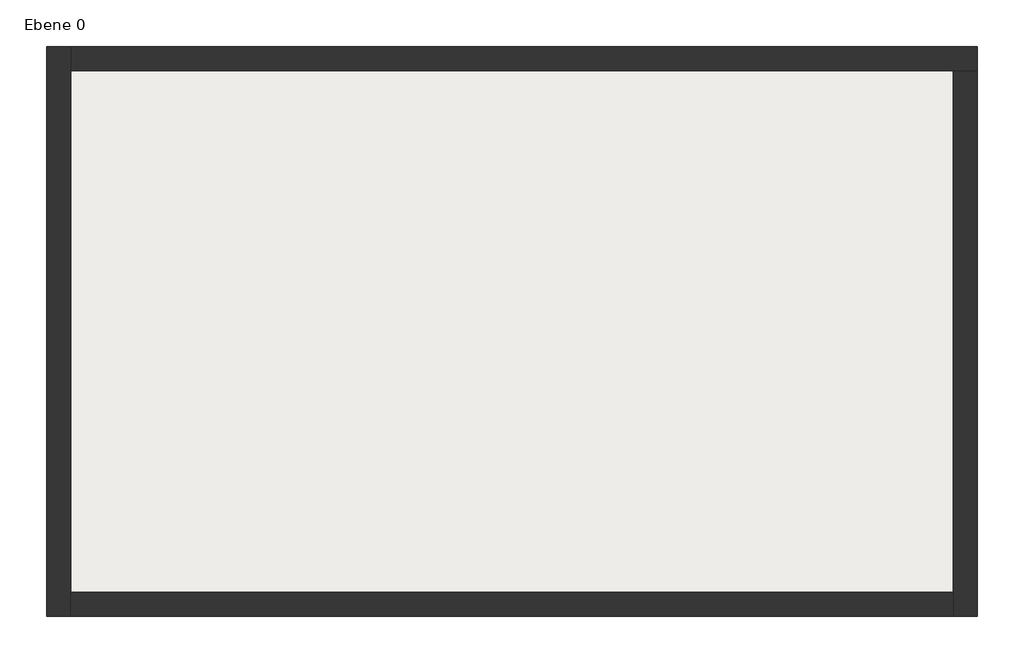
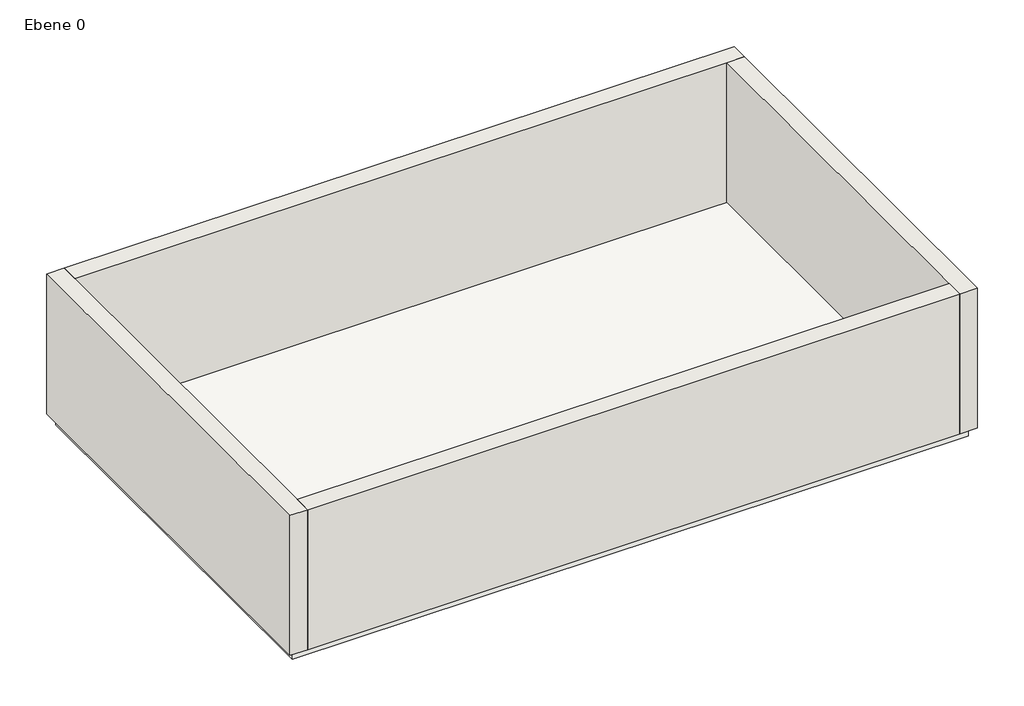
# One storey: 4 walls, 1 slab.
"""IFC4 building model written with IfcOpenShell, lengths in millimetres."""

from ifc_helpers import new_model, si_unit, frame, origin, origin_with_axes, place, context, project, spatial, polyline, outline, extrude, faceted_brep, element, save

model = new_model("IFC4")

# Units and contexts
model_context = context("Model", 3, world=origin())
ifc_project = project(units=[si_unit("LENGTHUNIT", "METRE", prefix="MILLI")], contexts=[model_context])

# Site, building, storey
site = spatial("IfcSite", under=ifc_project)
building = spatial("IfcBuilding", under=site)
storey = spatial("IfcBuildingStorey", under=building, Name="Ebene 0", Elevation=0.0)

# Slab
placement = place(None, origin())
element("IfcSlab", 1, ObjectType="STB 20.0", at=placement, inside=storey, context=model_context, shape_type="SweptSolid", body=[
    extrude(outline(polyline([(5188.8794242, 7553.5984146), (5188.8794242, -746.4015854), (-8511.1205758, -746.4015854), (-8511.1205758, 7553.5984146), (5188.8794242, 7553.5984146)])), frame((0.0, 0.0, -200.0), z_axis=(0.0, 0.0, 1.0), x_axis=(1.0, 0.0, 0.0)), (0.0, 0.0, 1.0), 200.0),
])

# Walls
element("IfcWall", 2, ObjectType="MW 24.0 WD 12.0", at=placement, inside=storey, context=model_context, shape_type="Brep", body=[
    faceted_brep([(-8271.1205758, -866.4015854, 0.0), (-8271.1205758, -506.4015854, 0.0), (-8271.1205758, 7313.5984146, 0.0), (-8271.1205758, 7673.5984146, 0.0), (-8271.1205758, 7673.5984146, 3000.0), (-8271.1205758, 7313.5984146, 3000.0), (-8271.1205758, -506.4015854, 3000.0), (-8271.1205758, -866.4015854, 3000.0), (-8631.1205758, -866.4015854, 0.0), (-8631.1205758, -866.4015854, 3000.0), (-8631.1205758, 7673.5984146, 3000.0), (-8631.1205758, 7673.5984146, 0.0)], [[[0, 1, 2, 3, 4, 5, 6, 7]], [[8, 9, 10, 11]], [[3, 2, 1, 0, 8, 11]], [[7, 6, 5, 4, 10, 9]], [[4, 3, 11, 10]], [[0, 7, 9, 8]]]),
])
element("IfcWall", 3, ObjectType="MW 24.0 WD 12.0", at=placement, inside=storey, context=model_context, shape_type="Brep", body=[
    faceted_brep([(-8271.1205758, 7313.5984146, 0.0), (4948.8794242, 7313.5984146, 0.0), (5308.8794242, 7313.5984146, 0.0), (5308.8794242, 7313.5984146, 3000.0), (4948.8794242, 7313.5984146, 3000.0), (-8271.1205758, 7313.5984146, 3000.0), (-8271.1205758, 7673.5984146, 0.0), (-8271.1205758, 7673.5984146, 3000.0), (5308.8794242, 7673.5984146, 3000.0), (5308.8794242, 7673.5984146, 0.0)], [[[0, 1, 2, 3, 4, 5]], [[6, 7, 8, 9]], [[2, 1, 0, 6, 9]], [[5, 4, 3, 8, 7]], [[0, 5, 7, 6]], [[3, 2, 9, 8]]]),
])
element("IfcWall", 4, ObjectType="MW 24.0 WD 12.0", at=placement, inside=storey, context=model_context, shape_type="Brep", body=[
    faceted_brep([(4948.8794242, 7313.5984146, 0.0), (4948.8794242, -506.4015854, 0.0), (4948.8794242, -866.4015854, 0.0), (4948.8794242, -866.4015854, 3000.0), (4948.8794242, -506.4015854, 3000.0), (4948.8794242, 7313.5984146, 3000.0), (5308.8794242, 7313.5984146, 0.0), (5308.8794242, 7313.5984146, 3000.0), (5308.8794242, -866.4015854, 3000.0), (5308.8794242, -866.4015854, 0.0)], [[[0, 1, 2, 3, 4, 5]], [[6, 7, 8, 9]], [[2, 1, 0, 6, 9]], [[5, 4, 3, 8, 7]], [[0, 5, 7, 6]], [[3, 2, 9, 8]]]),
])
element("IfcWall", 5, ObjectType="MW 24.0 WD 12.0", at=placement, inside=storey, context=model_context, shape_type="SweptSolid", body=[
    extrude(outline(polyline([(-8271.1205758, -506.4015854), (4948.8794242, -506.4015854), (4948.8794242, -866.4015854), (-8271.1205758, -866.4015854), (-8271.1205758, -506.4015854)])), origin_with_axes(), (0.0, 0.0, 1.0), 3000.0),
])

save(model, "model.ifc")
